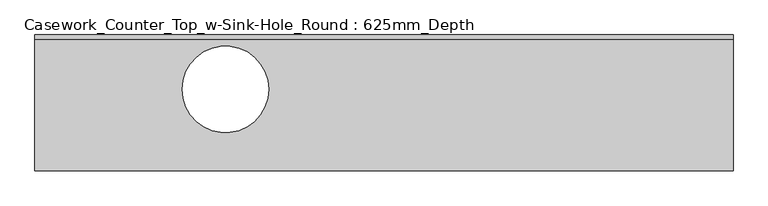
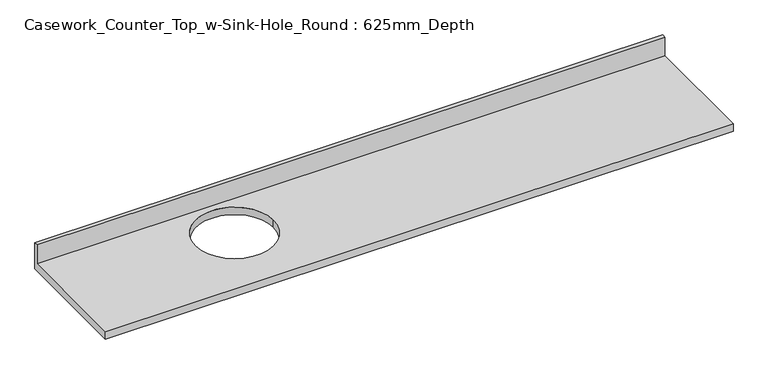
"""IFC4 building model written with IfcOpenShell, lengths in millimetres: furniture geometry, Casework_Counter_Top_w-Sink-Hole_Round : 625mm_Depth."""

from ifc_helpers import new_model, si_unit, frame, origin, place, context, project, spatial, polyline, circle_curve, source, transform, mapped, element, save
from ifc_brep_helpers import plane_surface, revolved_surface, advanced_brep


def casework_counter_top_w_sink_hole_round_625mm_depth_ab5fd3ff(model_context):
    return source(origin(), model_context, "Body", "AdvancedBrep", [
        advanced_brep(
        [(-1327.4622951, 0.0, 851.6), (-1327.4622951, -19.05, 851.6), (1882.5377049, -19.05, 851.6), (1882.5377049, 0.0, 851.6), (-1327.4622951, 0.0, 710.0), (-1327.4622951, -625.0, 710.0), (-1327.4622951, -625.0, 750.0), (-1327.4622951, -19.05, 750.0), (1882.5377049, -19.05, 750.0), (1882.5377049, -625.0, 750.0), (1882.5377049, -625.0, 710.0), (1882.5377049, 0.0, 710.0), (-252.7610741, -250.6033846, 750.0), (-650.1297594, -250.6033846, 750.0), (-650.1297594, -250.6033846, 710.0), (-252.7610741, -250.6033846, 710.0)],
        [
            (0, 1),
            (1, 2),
            (2, 3),
            (3, 0),
            (0, 4),
            (4, 5),
            (5, 6),
            (6, 7),
            (7, 1),
            (7, 8),
            (8, 2),
            (8, 9),
            (9, 10),
            (10, 11),
            (11, 3),
            (11, 4),
            (6, 9),
            (12, 13, circle_curve(frame((-451.4454167, -250.6033846, 750.0), z_axis=(0.0, 0.0, -1.0), x_axis=(1.0, 0.0, 0.0)), 198.6843426)),
            (13, 12, circle_curve(frame((-451.4454167, -250.6033846, 750.0), z_axis=(0.0, 0.0, -1.0), x_axis=(1.0, 0.0, 0.0)), 198.6843426)),
            (10, 5),
            (14, 15, circle_curve(frame((-451.4454167, -250.6033846, 710.0), z_axis=(0.0, 0.0, 1.0), x_axis=(1.0, 0.0, 0.0)), 198.6843426)),
            (15, 14, circle_curve(frame((-451.4454167, -250.6033846, 710.0), z_axis=(0.0, 0.0, 1.0), x_axis=(1.0, 0.0, 0.0)), 198.6843426)),
            (12, 15),
            (14, 13),
        ],
        [
            plane_surface(frame((-1327.4622951, 0.0, 851.6), z_axis=(0.0, 0.0, 1.0), x_axis=(0.0, -1.0, 0.0))),
            plane_surface(frame((-1327.4622951, 0.0, 851.6), z_axis=(-1.0, 0.0, 0.0), x_axis=(0.0, 0.0, -1.0))),
            plane_surface(frame((-1327.4622951, -19.05, 851.6), z_axis=(0.0, -1.0, 0.0), x_axis=(0.0, 0.0, -1.0))),
            plane_surface(frame((1882.5377049, -19.05, 851.6), z_axis=(1.0, 0.0, 0.0), x_axis=(0.0, 0.0, -1.0))),
            plane_surface(frame((1882.5377049, 0.0, 851.6), z_axis=(0.0, 1.0, 0.0), x_axis=(0.0, 0.0, -1.0))),
            plane_surface(frame((-1327.4622951, 0.0, 750.0), z_axis=(0.0, 0.0, 1.0), x_axis=(-1.0, 0.0, 0.0))),
            plane_surface(frame((-1327.4622951, 0.0, 710.0), z_axis=(0.0, 0.0, -1.0), x_axis=(1.0, 0.0, 0.0))),
            plane_surface(frame((-1327.4622951, -625.0, 750.0), z_axis=(0.0, -1.0, 0.0), x_axis=(0.0, 0.0, -1.0))),
            revolved_surface(polyline([(-252.7610741, -250.6033846, 750.0), (-252.7610741, -250.6033846, 710.0)]), (-451.4454167, -250.6033846, 710.0), (0.0, 0.0, 1.0)),
        ],
        [
            (0, [[1, 2, 3, 4]]),
            (1, [[-1, 5, 6, 7, 8, 9]]),
            (2, [[-2, -9, 10, 11]]),
            (3, [[-3, -11, 12, 13, 14, 15]]),
            (4, [[-4, -15, 16, -5]]),
            (5, [[17, -12, -10, -8], [18, 19]]),
            (6, [[-14, 20, -6, -16], [21, 22]]),
            (7, [[-17, -7, -20, -13]]),
            (8, [[23, -21, 24, -18]]),
            (8, [[-23, -19, -24, -22]]),
        ],
    ),
    ])


if __name__ == "__main__":
    model = new_model("IFC4")
    model_context = context("Model", 3, world=origin())
    ifc_project = project(units=[si_unit("LENGTHUNIT", "METRE", prefix="MILLI")], contexts=[model_context])
    site = spatial("IfcSite", under=ifc_project)
    building = spatial("IfcBuilding", under=site)
    placement = place(None, origin())
    casework_counter_top_w_sink_hole_round_625mm_depth_shape = casework_counter_top_w_sink_hole_round_625mm_depth_ab5fd3ff(model_context)
    element("IfcFurniture", 1, ObjectType="Casework_Counter_Top_w-Sink-Hole_Round : 625mm_Depth", at=placement, inside=building, context=model_context, shape_type="MappedRepresentation", body=[
        mapped(casework_counter_top_w_sink_hole_round_625mm_depth_shape, transform((0.0, 0.0, 0.0), x_axis=(1.0, 0.0, 0.0), y_axis=(0.0, 1.0, 0.0), z_axis=(0.0, 0.0, 1.0))),
    ])
    save(model, "model.ifc")
